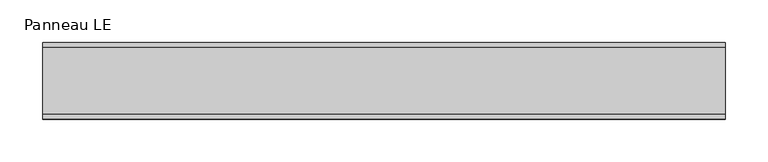
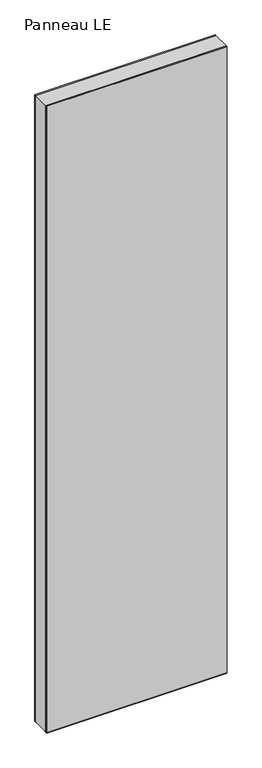
"""IFC4 building model written with IfcOpenShell, lengths in millimetres: plate geometry, Panneau LE."""

from ifc_helpers import new_model, si_unit, frame, origin, origin_with_axes, place, context, project, spatial, polyline, outline, extrude, source, transform, mapped, element, save


def panneau_le_524eb811(model_context):
    return source(origin(), model_context, "Body", "SweptSolid", [
        extrude(outline(polyline([(2933.0, 400.3847577), (2933.0, -400.3847577), (0.0, -400.3847577), (0.0, 400.3847577), (2933.0, 400.3847577)]), holes=[polyline([(60.0, -360.3847577), (2873.0, -360.3847577), (2873.0, 360.3847577), (60.0, 360.3847577), (60.0, -360.3847577)])]), frame((0.0, -39.0, 0.0), z_axis=(0.0, 1.0, 0.0), x_axis=(0.0, 0.0, 1.0)), (0.0, 0.0, 1.0), 78.0),
        extrude(outline(polyline([(-400.3847577, 35.0), (-400.3847577, 45.0), (400.3847577, 45.0), (400.3847577, 35.0), (-400.3847577, 35.0)])), frame((0.0, 0.0, -1.5), z_axis=(0.0, 0.0, 1.0), x_axis=(1.0, 0.0, 0.0)), (0.0, 0.0, 1.0), 1.5),
        extrude(outline(polyline([(-400.3847577, -45.0), (-400.3847577, -35.0), (400.3847577, -35.0), (400.3847577, -45.0), (-400.3847577, -45.0)])), frame((0.0, 0.0, -1.5), z_axis=(0.0, 0.0, 1.0), x_axis=(1.0, 0.0, 0.0)), (0.0, 0.0, 1.0), 1.5),
        extrude(outline(polyline([(400.3847577, 39.0), (-400.3847577, 39.0), (-400.3847577, 45.0), (400.3847577, 45.0), (400.3847577, 39.0)])), origin_with_axes(), (0.0, 0.0, 1.0), 2933.0),
        extrude(outline(polyline([(-400.3847577, -45.0), (-400.3847577, -39.0), (400.3847577, -39.0), (400.3847577, -45.0), (-400.3847577, -45.0)])), origin_with_axes(), (0.0, 0.0, 1.0), 2933.0),
    ])


if __name__ == "__main__":
    model = new_model("IFC4")
    model_context = context("Model", 3, world=origin())
    ifc_project = project(units=[si_unit("LENGTHUNIT", "METRE", prefix="MILLI")], contexts=[model_context])
    site = spatial("IfcSite", under=ifc_project)
    building = spatial("IfcBuilding", under=site)
    placement = place(None, origin())
    panneau_le_shape = panneau_le_524eb811(model_context)
    element("IfcPlate", 1, ObjectType="Panneau LE", at=placement, inside=building, context=model_context, shape_type="MappedRepresentation", body=[
        mapped(panneau_le_shape, transform((0.0, 0.0, 0.0), x_axis=(1.0, 0.0, 0.0), y_axis=(0.0, 1.0, 0.0), z_axis=(0.0, 0.0, 1.0))),
    ])
    save(model, "model.ifc")
